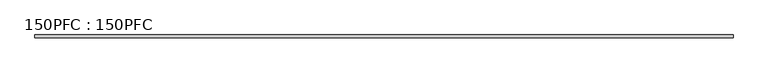
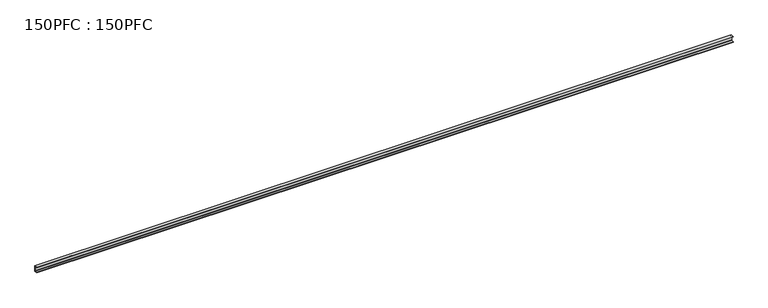
"""IFC4 building model written with IfcOpenShell, lengths in millimetres: beam geometry, 150PFC : 150PFC."""

from ifc_helpers import new_model, si_unit, point, frame, frame_2d, origin, place, context, project, spatial, polyline, circle_curve, trimmed, segment, composite_curve, outline, extrude, source, transform, mapped, element, save


def beam_150pfc_150pfc_72aa0596(model_context):
    return source(origin(), model_context, "Body", "SweptSolid", [
        extrude(outline(composite_curve([segment(polyline([(21.6471313, 65.0), (-37.3528687, 65.0), (-37.3528687, 74.5), (37.6471313, 74.5), (37.6471313, -75.5), (-37.3528687, -75.5), (-37.3528687, -66.0), (21.6471313, -66.0)]), True, "CONTINUOUS"), segment(trimmed(circle_curve(frame_2d((21.6471313, -56.0)), 10.0), [point((21.6471313, -66.0))], [point((31.6471313, -56.0))], True, "CARTESIAN"), True, "CONTINUOUS"), segment(polyline([(31.6471313, -56.0), (31.6471313, 55.0)]), True, "CONTINUOUS"), segment(trimmed(circle_curve(frame_2d((21.6471313, 55.0)), 10.0), [point((31.6471313, 55.0))], [point((21.6471313, 65.0))], True, "CARTESIAN"), True, "CONTINUOUS")], self_intersect=False)), frame((-8912.3, 0.0, 0.0), z_axis=(1.0, 0.0, 0.0), x_axis=(0.0, 1.0, 0.0)), (0.0, 0.0, 1.0), 17787.1),
    ])


if __name__ == "__main__":
    model = new_model("IFC4")
    model_context = context("Model", 3, world=origin())
    ifc_project = project(units=[si_unit("LENGTHUNIT", "METRE", prefix="MILLI")], contexts=[model_context])
    site = spatial("IfcSite", under=ifc_project)
    building = spatial("IfcBuilding", under=site)
    placement = place(None, origin())
    beam_150pfc_150pfc_shape = beam_150pfc_150pfc_72aa0596(model_context)
    element("IfcBeam", 1, ObjectType="150PFC : 150PFC", at=placement, inside=building, context=model_context, shape_type="MappedRepresentation", body=[
        mapped(beam_150pfc_150pfc_shape, transform((0.0, 0.0, 0.0), x_axis=(1.0, 0.0, 0.0), y_axis=(0.0, 1.0, 0.0), z_axis=(0.0, 0.0, 1.0))),
    ])
    save(model, "model.ifc")
